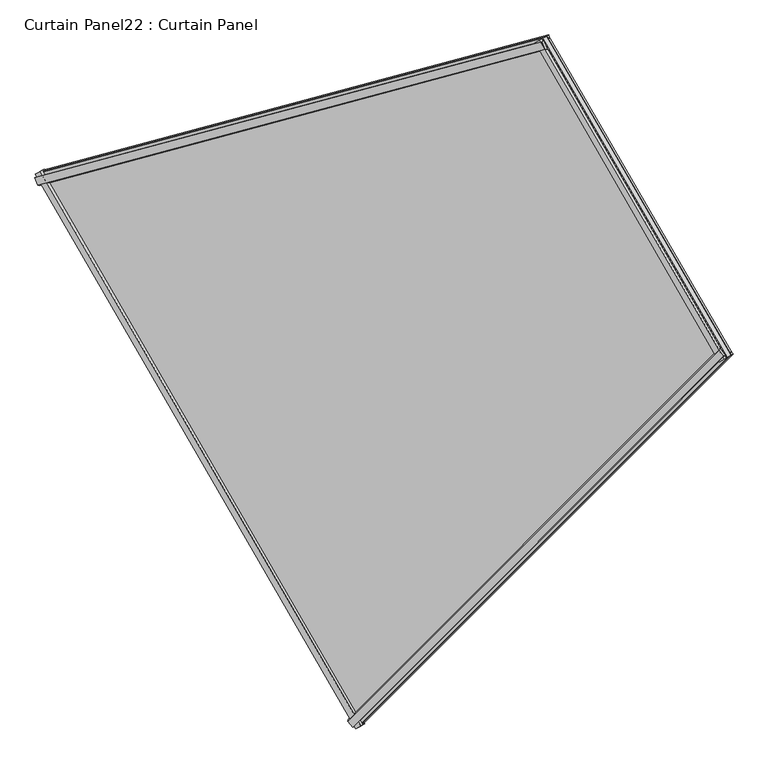
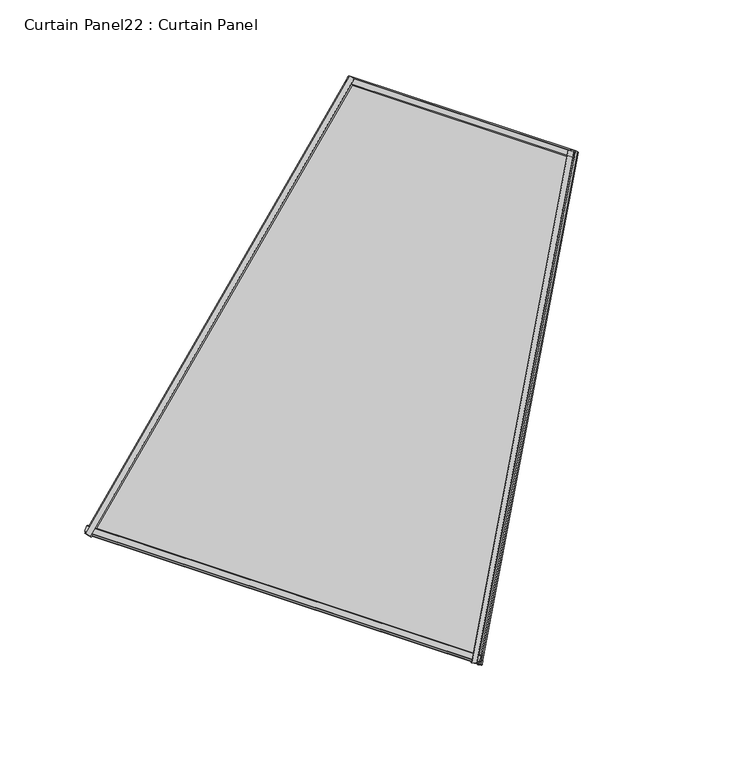
"""IFC4 building model written with IfcOpenShell, lengths in millimetres: plate geometry, Curtain Panel22 : Curtain Panel."""

from ifc_helpers import new_model, si_unit, frame, origin, place, context, project, spatial, polyline, outline, extrude, source, transform, mapped, element, save


def curtain_panel22_curtain_panel_7a578b5e(model_context):
    return source(origin(), model_context, "Body", "SweptSolid", [
        extrude(outline(polyline([(22.3831197, -5.9476602), (22.4361731, -22.532548), (17.5121094, -25.3444409), (17.5121093, -5.9632421), (22.3831197, -5.9476602)])), frame((-14070.083377, -15550.3224478, 2447.9025634), z_axis=(0.49999999999999745, 0.5000000000000022, 0.7071067811865478), x_axis=(-0.6228927525104949, -0.3596272983382045, 0.6947465906068654)), (0.0, 0.0, 1.0), 1550.2697454),
        extrude(outline(polyline([(-2.3405704, 0.0), (4.7128906, -1e-07), (4.7128907, -11.3518128), (-0.0198592, -12.2485208), (-2.3405704, 0.0)])), frame((-14070.083377, -15550.3224478, 2447.9025634), z_axis=(0.49999999999999745, 0.5000000000000022, 0.7071067811865478), x_axis=(-0.6228927525104949, -0.3596272983382045, 0.6947465906068654)), (0.0, 0.0, 1.0), 1550.2697454),
        extrude(outline(polyline([(22.3831196, 5.9476601), (17.5121093, 5.963242), (17.5121093, 25.3444409), (22.436173, 22.5325479), (22.3831196, 5.9476601)])), frame((-14738.5975868, -14392.421871, 2447.9025634), z_axis=(0.683012701892218, 0.1830127018922226, 0.7071067811865481), x_axis=(-0.6228927525104951, -0.3596272983382044, 0.6947465906068653)), (0.0, 0.0, 1.0), 1550.2697454),
        extrude(outline(polyline([(-2.3405704, 0.0), (-0.0198592, 12.2485207), (4.7128906, 11.3518128), (4.7128905, 0.0), (-2.3405704, 0.0)])), frame((-14738.5975868, -14392.421871, 2447.9025634), z_axis=(0.683012701892218, 0.1830127018922226, 0.7071067811865481), x_axis=(-0.6228927525104951, -0.3596272983382044, 0.6947465906068653)), (0.0, 0.0, 1.0), 1550.2697454),
        extrude(outline(polyline([(4.7128906, 0.0), (-2.884415, 2.033638), (-0.0072961, 12.7820367), (4.7128906, 13.7689417), (4.7128906, 0.0)])), frame((-14069.9572583, -15550.1191438, 2448.1208762), z_axis=(-0.5000000000000031, 0.8660254037844368, 0.0), x_axis=(-0.622892752510495, -0.3596272983382045, 0.6947465906068654)), (0.0, 0.0, 1.0), 1336.8024054),
        extrude(outline(polyline([(22.4691869, 21.8874309), (22.473391, 5.2216894), (17.5121094, 3.9575953), (17.5121094, 24.3595661), (22.4691869, 21.8874309)])), frame((-14069.9572583, -15550.1191438, 2448.1208762), z_axis=(-0.5000000000000031, 0.8660254037844368, 0.0), x_axis=(-0.622892752510495, -0.3596272983382045, 0.6947465906068654)), (0.0, 0.0, 1.0), 1336.8024054),
        extrude(outline(polyline([(4.7128906, 0.0), (4.7128907, -13.7689417), (-0.007296, -12.7820366), (-2.8844149, -2.033638), (4.7128906, 0.0)])), frame((-13294.8223856, -14774.9842711, 3544.3271258), z_axis=(-0.500000000000002, 0.8660254037844375, 0.0), x_axis=(-0.6228927525104949, -0.3596272983382045, 0.6947465906068655)), (0.0, 0.0, 1.0), 769.3642958),
        extrude(outline(polyline([(22.469187, -21.8874309), (17.5121095, -24.3595662), (17.5121094, -3.9575953), (22.4733911, -5.2216894), (22.469187, -21.8874309)])), frame((-13294.8223856, -14774.9842711, 3544.3271258), z_axis=(-0.500000000000002, 0.8660254037844375, 0.0), x_axis=(-0.6228927525104949, -0.3596272983382045, 0.6947465906068655)), (0.0, 0.0, 1.0), 769.3642958),
        extrude(outline(polyline([(-15.9843431, 0.0), (-260.6568449, -1314.3356446), (-1707.0782087, -756.4812534), (-1566.2540884, 0.0), (-15.9843431, 0.0)])), frame((-14080.8568035, -15559.8551329, 2440.0925035), z_axis=(-0.622892752510495, -0.3596272983382044, 0.6947465906068653), x_axis=(-0.49999999999999856, -0.5000000000000007, -0.7071067811865481)), (0.0, 0.0, 1.0), 12.7992187),
    ])


if __name__ == "__main__":
    model = new_model("IFC4")
    model_context = context("Model", 3, world=origin())
    ifc_project = project(units=[si_unit("LENGTHUNIT", "METRE", prefix="MILLI")], contexts=[model_context])
    site = spatial("IfcSite", under=ifc_project)
    building = spatial("IfcBuilding", under=site)
    placement = place(None, origin())
    curtain_panel22_curtain_panel_shape = curtain_panel22_curtain_panel_7a578b5e(model_context)
    element("IfcPlate", 1, ObjectType="Curtain Panel22 : Curtain Panel", at=placement, inside=building, context=model_context, shape_type="MappedRepresentation", body=[
        mapped(curtain_panel22_curtain_panel_shape, transform((0.0, 0.0, 0.0), x_axis=(1.0, 0.0, 0.0), y_axis=(0.0, 1.0, 0.0), z_axis=(0.0, 0.0, 1.0))),
    ])
    save(model, "model.ifc")
